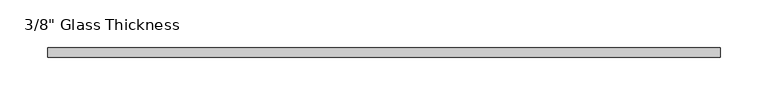
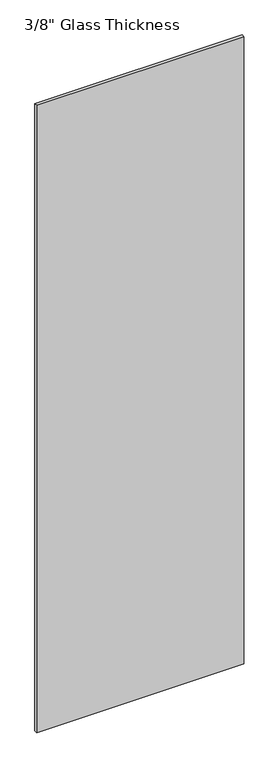
"""IFC4 building model written with IfcOpenShell, lengths in millimetres: plate geometry."""

from ifc_helpers import new_model, si_unit, origin, origin_with_axes, place, context, project, spatial, polyline, outline, extrude, source, transform, mapped, element, save


def plate_cc80acf9(model_context):
    return source(origin(), model_context, "Body", "SweptSolid", [
        extrude(outline(polyline([(354.0518198, 0.0), (-354.0518198, 0.0), (-354.0518198, 10.0), (354.0518198, 10.0), (354.0518198, 0.0)])), origin_with_axes(), (0.0, 0.0, 1.0), 2267.0),
    ])


if __name__ == "__main__":
    model = new_model("IFC4")
    model_context = context("Model", 3, world=origin())
    ifc_project = project(units=[si_unit("LENGTHUNIT", "METRE", prefix="MILLI")], contexts=[model_context])
    site = spatial("IfcSite", under=ifc_project)
    building = spatial("IfcBuilding", under=site)
    placement = place(None, origin())
    plate_shape = plate_cc80acf9(model_context)
    element("IfcPlate", 1, ObjectType="3/8\" Glass Thickness", at=placement, inside=building, context=model_context, shape_type="MappedRepresentation", body=[
        mapped(plate_shape, transform((0.0, 0.0, 0.0), x_axis=(1.0, 0.0, 0.0), y_axis=(0.0, 1.0, 0.0), z_axis=(0.0, 0.0, 1.0))),
    ])
    save(model, "model.ifc")
